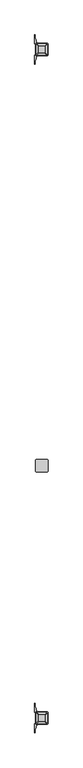
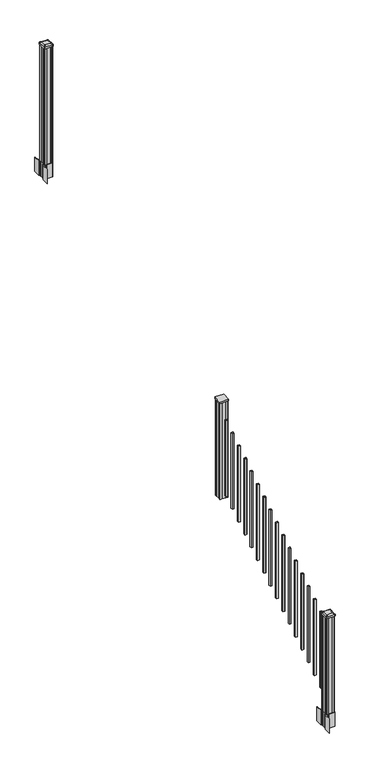
"""IFC4 building model written with IfcOpenShell, lengths in millimetres: railing geometry."""

from ifc_helpers import new_model, si_unit, point, frame, frame_2d, origin, place, context, project, spatial, polyline, circle_curve, trimmed, segment, composite_curve, outline, extrude, source, transform, mapped, element, save
from ifc_brep_helpers import plane_surface, extruded_surface, advanced_brep


def railing_075d5e69(model_context):
    return source(origin(), model_context, "Body", "SolidModel", [
        extrude(outline(composite_curve([segment(trimmed(circle_curve(frame_2d((8459.0114534, -5881.0562181)), 3.175), [point((8459.0114534, -5884.2312181))], [point((8455.8364534, -5881.0562181))], False, "CARTESIAN"), True, "CONTINUOUS"), segment(polyline([(8455.8364534, -5881.0562181), (8455.8364534, -5796.9187181)]), True, "CONTINUOUS"), segment(trimmed(circle_curve(frame_2d((8459.0114534, -5796.9187181)), 3.175), [point((8455.8364534, -5796.9187181))], [point((8459.0114534, -5793.7437181))], False, "CARTESIAN"), True, "CONTINUOUS"), segment(polyline([(8459.0114534, -5793.7437181), (8543.1489534, -5793.7437181)]), True, "CONTINUOUS"), segment(trimmed(circle_curve(frame_2d((8543.1489534, -5796.9187181)), 3.175), [point((8543.1489534, -5793.7437181))], [point((8546.3239534, -5796.9187181))], False, "CARTESIAN"), True, "CONTINUOUS"), segment(polyline([(8546.3239534, -5796.9187181), (8546.3239534, -5881.0562181)]), True, "CONTINUOUS"), segment(trimmed(circle_curve(frame_2d((8543.1489534, -5881.0562181)), 3.175), [point((8546.3239534, -5881.0562181))], [point((8543.1489534, -5884.2312181))], False, "CARTESIAN"), True, "CONTINUOUS"), segment(polyline([(8543.1489534, -5884.2312181), (8459.0114534, -5884.2312181)]), True, "CONTINUOUS")], self_intersect=False)), frame((0.0, 0.0, 2366.134263), z_axis=(0.0, 0.0, 1.0), x_axis=(1.0, 0.0, 0.0)), (0.0, 0.0, 1.0), 17.272),
        extrude(outline(polyline([(8461.3927034, -5880.2624681), (8459.8052034, -5878.6749681), (8459.8052034, -5859.0534681), (8461.3927034, -5858.2914681), (8461.3927034, -5819.6834681), (8459.8052034, -5818.9214681), (8459.8052034, -5799.2999681), (8461.3927034, -5797.7124681), (8481.0142034, -5797.7124681), (8481.7762034, -5799.2999681), (8520.3842034, -5799.2999681), (8521.1462034, -5797.7124681), (8540.7677034, -5797.7124681), (8542.3552034, -5799.2999681), (8542.3552034, -5818.9214681), (8540.7677034, -5819.6834681), (8540.7677034, -5858.2914681), (8542.3552034, -5859.0534681), (8542.3552034, -5878.6749681), (8540.7677034, -5880.2624681), (8521.1462034, -5880.2624681), (8520.3842034, -5878.6749681), (8481.7762034, -5878.6749681), (8481.0142034, -5880.2624681), (8461.3927034, -5880.2624681)])), frame((0.0, 0.0, 1334.77), z_axis=(0.0, 0.0, 1.0), x_axis=(1.0, 0.0, 0.0)), (0.0, 0.0, 1.0), 1031.364263),
        extrude(outline(polyline([(8510.6052034, -5929.5384681), (8491.5552034, -5929.5384681), (8491.5552034, -5910.4884681), (8510.6052034, -5910.4884681), (8510.6052034, -5929.5384681)]), holes=[polyline([(8510.2083284, -5929.1415931), (8510.2083284, -5910.8853431), (8491.9520784, -5910.8853431), (8491.9520784, -5929.1415931), (8510.2083284, -5929.1415931)])]), frame((0.0, 0.0, 1385.7246281), z_axis=(0.0, 0.0, 1.0), x_axis=(1.0, 0.0, 0.0)), (0.0, 0.0, 1.0), 812.8041219),
        extrude(outline(polyline([(8510.6052034, -6040.7904681), (8491.5552034, -6040.7904681), (8491.5552034, -6021.7404681), (8510.6052034, -6021.7404681), (8510.6052034, -6040.7904681)]), holes=[polyline([(8510.2083284, -6040.3935931), (8510.2083284, -6022.1373431), (8491.9520784, -6022.1373431), (8491.9520784, -6040.3935931), (8510.2083284, -6040.3935931)])]), frame((0.0, 0.0, 1316.1921281), z_axis=(0.0, 0.0, 1.0), x_axis=(1.0, 0.0, 0.0)), (0.0, 0.0, 1.0), 812.8041219),
        extrude(outline(polyline([(8510.6052034, -6152.0424681), (8491.5552034, -6152.0424681), (8491.5552034, -6132.9924681), (8510.6052034, -6132.9924681), (8510.6052034, -6152.0424681)]), holes=[polyline([(8510.2083284, -6151.6455931), (8510.2083284, -6133.3893431), (8491.9520784, -6133.3893431), (8491.9520784, -6151.6455931), (8510.2083284, -6151.6455931)])]), frame((0.0, 0.0, 1246.6596281), z_axis=(0.0, 0.0, 1.0), x_axis=(1.0, 0.0, 0.0)), (0.0, 0.0, 1.0), 812.8041219),
        extrude(outline(polyline([(8510.6052034, -6263.2944681), (8491.5552034, -6263.2944681), (8491.5552034, -6244.2444681), (8510.6052034, -6244.2444681), (8510.6052034, -6263.2944681)]), holes=[polyline([(8510.2083284, -6262.8975931), (8510.2083284, -6244.6413431), (8491.9520784, -6244.6413431), (8491.9520784, -6262.8975931), (8510.2083284, -6262.8975931)])]), frame((0.0, 0.0, 1177.1271281), z_axis=(0.0, 0.0, 1.0), x_axis=(1.0, 0.0, 0.0)), (0.0, 0.0, 1.0), 812.8041219),
        extrude(outline(polyline([(8510.6052034, -6374.5464681), (8491.5552034, -6374.5464681), (8491.5552034, -6355.4964681), (8510.6052034, -6355.4964681), (8510.6052034, -6374.5464681)]), holes=[polyline([(8510.2083284, -6374.1495931), (8510.2083284, -6355.8933431), (8491.9520784, -6355.8933431), (8491.9520784, -6374.1495931), (8510.2083284, -6374.1495931)])]), frame((0.0, 0.0, 1107.5946281), z_axis=(0.0, 0.0, 1.0), x_axis=(1.0, 0.0, 0.0)), (0.0, 0.0, 1.0), 812.8041219),
        extrude(outline(polyline([(8510.6052034, -6485.7984681), (8491.5552034, -6485.7984681), (8491.5552034, -6466.7484681), (8510.6052034, -6466.7484681), (8510.6052034, -6485.7984681)]), holes=[polyline([(8510.2083284, -6485.4015931), (8510.2083284, -6467.1453431), (8491.9520784, -6467.1453431), (8491.9520784, -6485.4015931), (8510.2083284, -6485.4015931)])]), frame((0.0, 0.0, 1038.0621281), z_axis=(0.0, 0.0, 1.0), x_axis=(1.0, 0.0, 0.0)), (0.0, 0.0, 1.0), 812.8041219),
        extrude(outline(polyline([(8510.6052034, -6597.0504681), (8491.5552034, -6597.0504681), (8491.5552034, -6578.0004681), (8510.6052034, -6578.0004681), (8510.6052034, -6597.0504681)]), holes=[polyline([(8510.2083284, -6596.6535931), (8510.2083284, -6578.3973431), (8491.9520784, -6578.3973431), (8491.9520784, -6596.6535931), (8510.2083284, -6596.6535931)])]), frame((0.0, 0.0, 968.5296281), z_axis=(0.0, 0.0, 1.0), x_axis=(1.0, 0.0, 0.0)), (0.0, 0.0, 1.0), 812.8041219),
        extrude(outline(polyline([(8510.6052034, -6708.3024681), (8491.5552034, -6708.3024681), (8491.5552034, -6689.2524681), (8510.6052034, -6689.2524681), (8510.6052034, -6708.3024681)]), holes=[polyline([(8510.2083284, -6707.9055931), (8510.2083284, -6689.6493431), (8491.9520784, -6689.6493431), (8491.9520784, -6707.9055931), (8510.2083284, -6707.9055931)])]), frame((0.0, 0.0, 898.9971281), z_axis=(0.0, 0.0, 1.0), x_axis=(1.0, 0.0, 0.0)), (0.0, 0.0, 1.0), 812.8041219),
        extrude(outline(polyline([(8510.6052034, -6819.5544681), (8491.5552034, -6819.5544681), (8491.5552034, -6800.5044681), (8510.6052034, -6800.5044681), (8510.6052034, -6819.5544681)]), holes=[polyline([(8510.2083284, -6819.1575931), (8510.2083284, -6800.9013431), (8491.9520784, -6800.9013431), (8491.9520784, -6819.1575931), (8510.2083284, -6819.1575931)])]), frame((0.0, 0.0, 829.4646281), z_axis=(0.0, 0.0, 1.0), x_axis=(1.0, 0.0, 0.0)), (0.0, 0.0, 1.0), 812.8041219),
        extrude(outline(polyline([(8510.6052034, -6930.8064681), (8491.5552034, -6930.8064681), (8491.5552034, -6911.7564681), (8510.6052034, -6911.7564681), (8510.6052034, -6930.8064681)]), holes=[polyline([(8510.2083284, -6930.4095931), (8510.2083284, -6912.1533431), (8491.9520784, -6912.1533431), (8491.9520784, -6930.4095931), (8510.2083284, -6930.4095931)])]), frame((0.0, 0.0, 759.9321281), z_axis=(0.0, 0.0, 1.0), x_axis=(1.0, 0.0, 0.0)), (0.0, 0.0, 1.0), 812.8041219),
        extrude(outline(polyline([(8510.6052034, -7042.0584681), (8491.5552034, -7042.0584681), (8491.5552034, -7023.0084681), (8510.6052034, -7023.0084681), (8510.6052034, -7042.0584681)]), holes=[polyline([(8510.2083284, -7041.6615931), (8510.2083284, -7023.4053431), (8491.9520784, -7023.4053431), (8491.9520784, -7041.6615931), (8510.2083284, -7041.6615931)])]), frame((0.0, 0.0, 690.3996281), z_axis=(0.0, 0.0, 1.0), x_axis=(1.0, 0.0, 0.0)), (0.0, 0.0, 1.0), 812.8041219),
        extrude(outline(polyline([(8510.6052034, -7153.3104681), (8491.5552034, -7153.3104681), (8491.5552034, -7134.2604681), (8510.6052034, -7134.2604681), (8510.6052034, -7153.3104681)]), holes=[polyline([(8510.2083284, -7152.9135931), (8510.2083284, -7134.6573431), (8491.9520784, -7134.6573431), (8491.9520784, -7152.9135931), (8510.2083284, -7152.9135931)])]), frame((0.0, 0.0, 620.8671281), z_axis=(0.0, 0.0, 1.0), x_axis=(1.0, 0.0, 0.0)), (0.0, 0.0, 1.0), 812.8041219),
        extrude(outline(polyline([(8510.6052034, -7264.5624681), (8491.5552034, -7264.5624681), (8491.5552034, -7245.5124681), (8510.6052034, -7245.5124681), (8510.6052034, -7264.5624681)]), holes=[polyline([(8510.2083284, -7264.1655931), (8510.2083284, -7245.9093431), (8491.9520784, -7245.9093431), (8491.9520784, -7264.1655931), (8510.2083284, -7264.1655931)])]), frame((0.0, 0.0, 551.3346281), z_axis=(0.0, 0.0, 1.0), x_axis=(1.0, 0.0, 0.0)), (0.0, 0.0, 1.0), 812.8041219),
        extrude(outline(polyline([(8510.6052034, -7375.8144681), (8491.5552034, -7375.8144681), (8491.5552034, -7356.7644681), (8510.6052034, -7356.7644681), (8510.6052034, -7375.8144681)]), holes=[polyline([(8510.2083284, -7375.4175931), (8510.2083284, -7357.1613431), (8491.9520784, -7357.1613431), (8491.9520784, -7375.4175931), (8510.2083284, -7375.4175931)])]), frame((0.0, 0.0, 481.8021281), z_axis=(0.0, 0.0, 1.0), x_axis=(1.0, 0.0, 0.0)), (0.0, 0.0, 1.0), 812.8041219),
        extrude(outline(polyline([(8510.6052034, -7487.0664681), (8491.5552034, -7487.0664681), (8491.5552034, -7468.0164681), (8510.6052034, -7468.0164681), (8510.6052034, -7487.0664681)]), holes=[polyline([(8510.2083284, -7486.6695931), (8510.2083284, -7468.4133431), (8491.9520784, -7468.4133431), (8491.9520784, -7486.6695931), (8510.2083284, -7486.6695931)])]), frame((0.0, 0.0, 412.2696281), z_axis=(0.0, 0.0, 1.0), x_axis=(1.0, 0.0, 0.0)), (0.0, 0.0, 1.0), 812.8041219),
        extrude(outline(polyline([(8510.6052034, -7598.3184681), (8491.5552034, -7598.3184681), (8491.5552034, -7579.2684681), (8510.6052034, -7579.2684681), (8510.6052034, -7598.3184681)]), holes=[polyline([(8510.2083284, -7597.9215931), (8510.2083284, -7579.6653431), (8491.9520784, -7579.6653431), (8491.9520784, -7597.9215931), (8510.2083284, -7597.9215931)])]), frame((0.0, 0.0, 342.7371281), z_axis=(0.0, 0.0, 1.0), x_axis=(1.0, 0.0, 0.0)), (0.0, 0.0, 1.0), 812.8041219),
        extrude(outline(polyline([(8461.3927034, -2792.8924681), (8459.8052034, -2791.3049681), (8459.8052034, -2771.6834681), (8461.3927034, -2770.9214681), (8461.3927034, -2732.3134681), (8459.8052034, -2731.5514681), (8459.8052034, -2711.9299681), (8461.3927034, -2710.3424681), (8481.0142034, -2710.3424681), (8481.7762034, -2711.9299681), (8520.3842034, -2711.9299681), (8521.1462034, -2710.3424681), (8540.7677034, -2710.3424681), (8542.3552034, -2711.9299681), (8542.3552034, -2731.5514681), (8540.7677034, -2732.3134681), (8540.7677034, -2770.9214681), (8542.3552034, -2771.6834681), (8542.3552034, -2791.3049681), (8540.7677034, -2792.8924681), (8521.1462034, -2792.8924681), (8520.3842034, -2791.3049681), (8481.7762034, -2791.3049681), (8481.0142034, -2792.8924681), (8461.3927034, -2792.8924681)])), frame((0.0, 0.0, 3048.0), z_axis=(0.0, 0.0, 1.0), x_axis=(1.0, 0.0, 0.0)), (0.0, 0.0, 1.0), 1247.740513),
        extrude(outline(composite_curve([segment(polyline([(8543.8157034, -2769.003563), (8545.4032034, -2769.765563), (8545.4032034, -2792.567491), (8542.0302263, -2795.9404681), (8480.5705555, -2795.9404681), (8480.5705555, -2796.8612181), (8475.2530117, -2796.8612181), (8475.2530117, -2798.3154728), (8470.168482, -2798.3154728), (8470.168482, -2799.5994966), (8468.5012097, -2799.5994966)]), True, "CONTINUOUS"), segment(trimmed(circle_curve(frame_2d((8468.5012097, -2806.6589565)), 7.0594599), [point((8468.5012097, -2799.5994966))], [point((8461.7339468, -2804.6489498))], True, "CARTESIAN"), True, "CONTINUOUS"), segment(polyline([(8461.7339468, -2804.6489498), (8453.8597526, -2831.1596789)]), True, "CONTINUOUS"), segment(trimmed(circle_curve(frame_2d((8508.6442659, -2847.4317285)), 57.15), [point((8453.8597526, -2831.1596789))], [point((8451.4942659, -2847.4317285))], True, "CARTESIAN"), True, "CONTINUOUS"), segment(polyline([(8451.4942659, -2847.4317285), (8451.4942659, -2859.4404681), (8448.4942659, -2859.4404681), (8448.4942659, -2794.3529681), (8456.7572034, -2783.0146768), (8456.7572034, -2769.765563), (8458.3447034, -2769.003563), (8458.3447034, -2734.2313732), (8456.7572034, -2733.4693732), (8456.7572034, -2720.2202594), (8448.4942659, -2708.8819681), (8448.4942659, -2643.7944681), (8451.4942659, -2643.7944681), (8451.4942659, -2655.8032076)]), True, "CONTINUOUS"), segment(trimmed(circle_curve(frame_2d((8508.6442659, -2655.8032076)), 57.15), [point((8451.4942659, -2655.8032076))], [point((8453.8597526, -2672.0752573))], True, "CARTESIAN"), True, "CONTINUOUS"), segment(polyline([(8453.8597526, -2672.0752573), (8461.7339468, -2698.5859864)]), True, "CONTINUOUS"), segment(trimmed(circle_curve(frame_2d((8468.5012097, -2696.5759797)), 7.0594599), [point((8461.7339468, -2698.5859864))], [point((8468.5012097, -2703.6354396))], True, "CARTESIAN"), True, "CONTINUOUS"), segment(polyline([(8468.5012097, -2703.6354396), (8470.168482, -2703.6354396), (8470.168482, -2704.9194634), (8475.2530117, -2704.9194634), (8475.2530117, -2706.3737181), (8480.5705555, -2706.3737181), (8480.5705555, -2707.2944681), (8542.0302263, -2707.2944681), (8545.4032034, -2710.6674452), (8545.4032034, -2733.4693732), (8543.8157034, -2734.2313732), (8543.8157034, -2769.003563)]), True, "CONTINUOUS")], self_intersect=False), holes=[polyline([(8459.8052034, -2711.9299681), (8459.8052034, -2791.3049681), (8461.3927034, -2792.8924681), (8498.316986, -2792.8924681), (8540.7677034, -2792.8924681), (8542.3552034, -2791.3049681), (8542.3552034, -2711.9299681), (8540.7677034, -2710.3424681), (8498.316986, -2710.3424681), (8461.3927034, -2710.3424681), (8459.8052034, -2711.9299681)])]), frame((0.0, 0.0, 2895.6), z_axis=(0.0, 0.0, 1.0), x_axis=(1.0, 0.0, 0.0)), (0.0, 0.0, 1.0), 152.4),
        advanced_brep(
        [(8475.2833284, -2780.5893431, 4324.315513), (8526.8770784, -2780.5893431, 4324.315513), (8530.0520784, -2777.4143431, 4324.315513), (8530.0520784, -2725.8205931, 4324.315513), (8526.8770784, -2722.6455931, 4324.315513), (8475.2833284, -2722.6455931, 4324.315513), (8472.1083284, -2725.8205931, 4324.315513), (8472.1083284, -2777.4143431, 4324.315513), (8459.0114534, -2796.8612181, 4313.012513), (8455.8364534, -2793.6862181, 4313.012513), (8455.8364534, -2709.5487181, 4313.012513), (8459.0114534, -2706.3737181, 4313.012513), (8543.1489534, -2706.3737181, 4313.012513), (8546.3239534, -2709.5487181, 4313.012513), (8546.3239534, -2793.6862181, 4313.012513), (8543.1489534, -2796.8612181, 4313.012513)],
        [
            (0, 1),
            (1, 2, circle_curve(frame((8526.8770784, -2777.4143431, 4324.315513), z_axis=(0.0, 0.0, 1.0), x_axis=(0.0, 1.0, 0.0)), 3.175)),
            (2, 3),
            (3, 4, circle_curve(frame((8526.8770784, -2725.8205931, 4324.315513), z_axis=(0.0, 0.0, 1.0), x_axis=(0.0, 1.0, 0.0)), 3.175)),
            (4, 5),
            (5, 6, circle_curve(frame((8475.2833284, -2725.8205931, 4324.315513), z_axis=(0.0, 0.0, 1.0), x_axis=(0.0, 1.0, 0.0)), 3.175)),
            (6, 7),
            (7, 0, circle_curve(frame((8475.2833284, -2777.4143431, 4324.315513), z_axis=(0.0, 0.0, 1.0), x_axis=(0.0, 1.0, 0.0)), 3.175)),
            (8, 9, circle_curve(frame((8459.0114534, -2793.6862181, 4313.012513), z_axis=(0.0, 0.0, -1.0), x_axis=(0.0, 1.0, 0.0)), 3.175)),
            (9, 10),
            (10, 11, circle_curve(frame((8459.0114534, -2709.5487181, 4313.012513), z_axis=(0.0, 0.0, -1.0), x_axis=(0.0, 1.0, 0.0)), 3.175)),
            (11, 12),
            (12, 13, circle_curve(frame((8543.1489534, -2709.5487181, 4313.012513), z_axis=(0.0, 0.0, -1.0), x_axis=(0.0, 1.0, 0.0)), 3.175)),
            (13, 14),
            (14, 15, circle_curve(frame((8543.1489534, -2793.6862181, 4313.012513), z_axis=(0.0, 0.0, -1.0), x_axis=(0.0, 1.0, 0.0)), 3.175)),
            (15, 8),
            (8, 0),
            (7, 9),
            (6, 10),
            (5, 11),
            (4, 12),
            (3, 13),
            (2, 14),
            (1, 15),
        ],
        [
            plane_surface(frame((8501.0802034, -2751.6174681, 4324.315513), z_axis=(0.0, 0.0, 1.0), x_axis=(-1.0, 0.0, 0.0))),
            plane_surface(frame((8501.0802034, -2751.6174681, 4313.012513), z_axis=(0.0, 0.0, -1.0), x_axis=(-1.0, 0.0, 0.0))),
            extruded_surface(trimmed(circle_curve(frame((8475.2833284, -2777.4143431, 4324.315513), z_axis=(0.0, 0.0, -1.0), x_axis=(0.0, 1.0, 0.0)), 3.175), [point((8475.2833284, -2780.5893431, 4324.315513))], [point((8472.1083284, -2777.4143431, 4324.315513))], True, "CARTESIAN"), (-16.271875000000364, -16.27187499999991, -11.302999999999884), 25.637972638866284),
            plane_surface(frame((8455.8364534, -2751.6174681, 4313.012513), z_axis=(-0.5705009161540687, 0.0, 0.8212969649690472), x_axis=(0.0, 1.0, 0.0))),
            extruded_surface(trimmed(circle_curve(frame((8475.2833284, -2725.8205931, 4324.315513), z_axis=(0.0, 0.0, -1.0), x_axis=(0.0, 1.0, 0.0)), 3.175), [point((8472.1083284, -2725.8205931, 4324.315513))], [point((8475.2833284, -2722.6455931, 4324.315513))], True, "CARTESIAN"), (-16.271875000000364, 16.271875000000364, -11.302999999999884), 25.63797263886657),
            plane_surface(frame((8501.0802034, -2706.3737181, 4313.012513), z_axis=(0.0, 0.5705009161540291, 0.8212969649690747), x_axis=(1.0, 0.0, 0.0))),
            extruded_surface(trimmed(circle_curve(frame((8526.8770784, -2725.8205931, 4324.315513), z_axis=(0.0, 0.0, -1.0), x_axis=(0.0, 1.0, 0.0)), 3.175), [point((8526.8770784, -2722.6455931, 4324.315513))], [point((8530.0520784, -2725.8205931, 4324.315513))], True, "CARTESIAN"), (16.271874999998545, 16.271875000000364, -11.302999999999884), 25.63797263886542),
            plane_surface(frame((8546.3239534, -2751.6174681, 4313.012513), z_axis=(0.5705009161540233, 0.0, 0.8212969649690787), x_axis=(0.0, -1.0, 0.0))),
            extruded_surface(trimmed(circle_curve(frame((8526.8770784, -2777.4143431, 4324.315513), z_axis=(0.0, 0.0, -1.0), x_axis=(0.0, 1.0, 0.0)), 3.175), [point((8530.0520784, -2777.4143431, 4324.315513))], [point((8526.8770784, -2780.5893431, 4324.315513))], True, "CARTESIAN"), (16.271874999998545, -16.27187499999991, -11.302999999999884), 25.63797263886513),
            plane_surface(frame((8501.0802034, -2796.8612181, 4313.012513), z_axis=(0.0, -0.570500916154034, 0.8212969649690713), x_axis=(-1.0, 0.0, 0.0))),
        ],
        [
            (0, [[1, 2, 3, 4, 5, 6, 7, 8]]),
            (1, [[9, 10, 11, 12, 13, 14, 15, 16]]),
            (2, [[17, -8, 18, -9]]),
            (3, [[-18, -7, 19, -10]]),
            (4, [[-19, -6, 20, -11]]),
            (5, [[-20, -5, 21, -12]]),
            (6, [[-21, -4, 22, -13]]),
            (7, [[-22, -3, 23, -14]]),
            (8, [[-23, -2, 24, -15]]),
            (9, [[-24, -1, -17, -16]]),
        ],
    ),
        extrude(outline(composite_curve([segment(trimmed(circle_curve(frame_2d((8459.0114534, -2793.6862181)), 3.175), [point((8459.0114534, -2796.8612181))], [point((8455.8364534, -2793.6862181))], False, "CARTESIAN"), True, "CONTINUOUS"), segment(polyline([(8455.8364534, -2793.6862181), (8455.8364534, -2709.5487181)]), True, "CONTINUOUS"), segment(trimmed(circle_curve(frame_2d((8459.0114534, -2709.5487181)), 3.175), [point((8455.8364534, -2709.5487181))], [point((8459.0114534, -2706.3737181))], False, "CARTESIAN"), True, "CONTINUOUS"), segment(polyline([(8459.0114534, -2706.3737181), (8543.1489534, -2706.3737181)]), True, "CONTINUOUS"), segment(trimmed(circle_curve(frame_2d((8543.1489534, -2709.5487181)), 3.175), [point((8543.1489534, -2706.3737181))], [point((8546.3239534, -2709.5487181))], False, "CARTESIAN"), True, "CONTINUOUS"), segment(polyline([(8546.3239534, -2709.5487181), (8546.3239534, -2793.6862181)]), True, "CONTINUOUS"), segment(trimmed(circle_curve(frame_2d((8543.1489534, -2793.6862181)), 3.175), [point((8546.3239534, -2793.6862181))], [point((8543.1489534, -2796.8612181))], False, "CARTESIAN"), True, "CONTINUOUS"), segment(polyline([(8543.1489534, -2796.8612181), (8459.0114534, -2796.8612181)]), True, "CONTINUOUS")], self_intersect=False)), frame((0.0, 0.0, 4295.740513), z_axis=(0.0, 0.0, 1.0), x_axis=(1.0, 0.0, 0.0)), (0.0, 0.0, 1.0), 17.272),
        extrude(outline(composite_curve([segment(polyline([(8543.8157034, -7728.607563), (8545.4032034, -7729.369563), (8545.4032034, -7752.171491), (8542.0302263, -7755.5444681), (8480.5705555, -7755.5444681), (8480.5705555, -7756.4652181), (8475.2530117, -7756.4652181), (8475.2530117, -7757.9194728), (8470.168482, -7757.9194728), (8470.168482, -7759.2034966), (8468.5012097, -7759.2034966)]), True, "CONTINUOUS"), segment(trimmed(circle_curve(frame_2d((8468.5012097, -7766.2629565)), 7.0594599), [point((8468.5012097, -7759.2034966))], [point((8461.7339468, -7764.2529498))], True, "CARTESIAN"), True, "CONTINUOUS"), segment(polyline([(8461.7339468, -7764.2529498), (8453.8597526, -7790.7636789)]), True, "CONTINUOUS"), segment(trimmed(circle_curve(frame_2d((8508.6442659, -7807.0357285)), 57.15), [point((8453.8597526, -7790.7636789))], [point((8451.4942659, -7807.0357285))], True, "CARTESIAN"), True, "CONTINUOUS"), segment(polyline([(8451.4942659, -7807.0357285), (8451.4942659, -7819.0444681), (8448.4942659, -7819.0444681), (8448.4942659, -7753.9569681), (8456.7572034, -7742.6186768), (8456.7572034, -7729.369563), (8458.3447034, -7728.607563), (8458.3447034, -7693.8353732), (8456.7572034, -7693.0733732), (8456.7572034, -7679.8242594), (8448.4942659, -7668.4859681), (8448.4942659, -7603.3984681), (8451.4942659, -7603.3984681), (8451.4942659, -7615.4072076)]), True, "CONTINUOUS"), segment(trimmed(circle_curve(frame_2d((8508.6442659, -7615.4072076)), 57.15), [point((8451.4942659, -7615.4072076))], [point((8453.8597526, -7631.6792573))], True, "CARTESIAN"), True, "CONTINUOUS"), segment(polyline([(8453.8597526, -7631.6792573), (8461.7339468, -7658.1899864)]), True, "CONTINUOUS"), segment(trimmed(circle_curve(frame_2d((8468.5012097, -7656.1799797)), 7.0594599), [point((8461.7339468, -7658.1899864))], [point((8468.5012097, -7663.2394396))], True, "CARTESIAN"), True, "CONTINUOUS"), segment(polyline([(8468.5012097, -7663.2394396), (8470.168482, -7663.2394396), (8470.168482, -7664.5234634), (8475.2530117, -7664.5234634), (8475.2530117, -7665.9777181), (8480.5705555, -7665.9777181), (8480.5705555, -7666.8984681), (8542.0302263, -7666.8984681), (8545.4032034, -7670.2714452), (8545.4032034, -7693.0733732), (8543.8157034, -7693.8353732), (8543.8157034, -7728.607563)]), True, "CONTINUOUS")], self_intersect=False), holes=[polyline([(8459.8052034, -7671.5339681), (8459.8052034, -7750.9089681), (8461.3927034, -7752.4964681), (8498.316986, -7752.4964681), (8540.7677034, -7752.4964681), (8542.3552034, -7750.9089681), (8542.3552034, -7671.5339681), (8540.7677034, -7669.9464681), (8498.316986, -7669.9464681), (8461.3927034, -7669.9464681), (8459.8052034, -7671.5339681)])]), frame((0.0, 0.0, 12.22375), z_axis=(0.0, 0.0, 1.0), x_axis=(1.0, 0.0, 0.0)), (0.0, 0.0, 1.0), 152.4),
        advanced_brep(
        [(8475.2833284, -7740.1933431, 1224.563013), (8526.8770784, -7740.1933431, 1224.563013), (8530.0520784, -7737.0183431, 1224.563013), (8530.0520784, -7685.4245931, 1224.563013), (8526.8770784, -7682.2495931, 1224.563013), (8475.2833284, -7682.2495931, 1224.563013), (8472.1083284, -7685.4245931, 1224.563013), (8472.1083284, -7737.0183431, 1224.563013), (8459.0114534, -7756.4652181, 1213.260013), (8455.8364534, -7753.2902181, 1213.260013), (8455.8364534, -7669.1527181, 1213.260013), (8459.0114534, -7665.9777181, 1213.260013), (8543.1489534, -7665.9777181, 1213.260013), (8546.3239534, -7669.1527181, 1213.260013), (8546.3239534, -7753.2902181, 1213.260013), (8543.1489534, -7756.4652181, 1213.260013)],
        [
            (0, 1),
            (1, 2, circle_curve(frame((8526.8770784, -7737.0183431, 1224.563013), z_axis=(0.0, 0.0, 1.0), x_axis=(0.0, 1.0, 0.0)), 3.175)),
            (2, 3),
            (3, 4, circle_curve(frame((8526.8770784, -7685.4245931, 1224.563013), z_axis=(0.0, 0.0, 1.0), x_axis=(0.0, 1.0, 0.0)), 3.175)),
            (4, 5),
            (5, 6, circle_curve(frame((8475.2833284, -7685.4245931, 1224.563013), z_axis=(0.0, 0.0, 1.0), x_axis=(0.0, 1.0, 0.0)), 3.175)),
            (6, 7),
            (7, 0, circle_curve(frame((8475.2833284, -7737.0183431, 1224.563013), z_axis=(0.0, 0.0, 1.0), x_axis=(0.0, 1.0, 0.0)), 3.175)),
            (8, 9, circle_curve(frame((8459.0114534, -7753.2902181, 1213.260013), z_axis=(0.0, 0.0, -1.0), x_axis=(0.0, 1.0, 0.0)), 3.175)),
            (9, 10),
            (10, 11, circle_curve(frame((8459.0114534, -7669.1527181, 1213.260013), z_axis=(0.0, 0.0, -1.0), x_axis=(0.0, 1.0, 0.0)), 3.175)),
            (11, 12),
            (12, 13, circle_curve(frame((8543.1489534, -7669.1527181, 1213.260013), z_axis=(0.0, 0.0, -1.0), x_axis=(0.0, 1.0, 0.0)), 3.175)),
            (13, 14),
            (14, 15, circle_curve(frame((8543.1489534, -7753.2902181, 1213.260013), z_axis=(0.0, 0.0, -1.0), x_axis=(0.0, 1.0, 0.0)), 3.175)),
            (15, 8),
            (8, 0),
            (7, 9),
            (6, 10),
            (5, 11),
            (4, 12),
            (3, 13),
            (2, 14),
            (1, 15),
        ],
        [
            plane_surface(frame((8501.0802034, -7711.2214681, 1224.563013), z_axis=(0.0, 0.0, 1.0), x_axis=(-1.0, 0.0, 0.0))),
            plane_surface(frame((8501.0802034, -7711.2214681, 1213.260013), z_axis=(0.0, 0.0, -1.0), x_axis=(-1.0, 0.0, 0.0))),
            extruded_surface(trimmed(circle_curve(frame((8475.2833284, -7737.0183431, 1224.563013), z_axis=(0.0, 0.0, -1.0), x_axis=(0.0, 1.0, 0.0)), 3.175), [point((8475.2833284, -7740.1933431, 1224.563013))], [point((8472.1083284, -7737.0183431, 1224.563013))], True, "CARTESIAN"), (-16.271875000000364, -16.271875000000364, -11.302999999999884), 25.63797263886657),
            plane_surface(frame((8455.8364534, -7711.2214681, 1213.260013), z_axis=(-0.5705009161540778, 0.0, 0.8212969649690408), x_axis=(0.0, 1.0, 0.0))),
            extruded_surface(trimmed(circle_curve(frame((8475.2833284, -7685.4245931, 1224.563013), z_axis=(0.0, 0.0, -1.0), x_axis=(0.0, 1.0, 0.0)), 3.175), [point((8472.1083284, -7685.4245931, 1224.563013))], [point((8475.2833284, -7682.2495931, 1224.563013))], True, "CARTESIAN"), (-16.271875000000364, 16.271874999999454, -11.302999999999884), 25.637972638865996),
            plane_surface(frame((8501.0802034, -7665.9777181, 1213.260013), z_axis=(0.0, 0.5705009161540291, 0.8212969649690747), x_axis=(1.0, 0.0, 0.0))),
            extruded_surface(trimmed(circle_curve(frame((8526.8770784, -7685.4245931, 1224.563013), z_axis=(0.0, 0.0, -1.0), x_axis=(0.0, 1.0, 0.0)), 3.175), [point((8526.8770784, -7682.2495931, 1224.563013))], [point((8530.0520784, -7685.4245931, 1224.563013))], True, "CARTESIAN"), (16.271874999998545, 16.271874999999454, -11.302999999999884), 25.63797263886484),
            plane_surface(frame((8546.3239534, -7711.2214681, 1213.260013), z_axis=(0.5705009161540142, 0.0, 0.8212969649690851), x_axis=(0.0, -1.0, 0.0))),
            extruded_surface(trimmed(circle_curve(frame((8526.8770784, -7737.0183431, 1224.563013), z_axis=(0.0, 0.0, -1.0), x_axis=(0.0, 1.0, 0.0)), 3.175), [point((8530.0520784, -7737.0183431, 1224.563013))], [point((8526.8770784, -7740.1933431, 1224.563013))], True, "CARTESIAN"), (16.271874999998545, -16.271875000000364, -11.302999999999884), 25.63797263886542),
            plane_surface(frame((8501.0802034, -7756.4652181, 1213.260013), z_axis=(0.0, -0.570500916154034, 0.8212969649690713), x_axis=(-1.0, 0.0, 0.0))),
        ],
        [
            (0, [[1, 2, 3, 4, 5, 6, 7, 8]]),
            (1, [[9, 10, 11, 12, 13, 14, 15, 16]]),
            (2, [[17, -8, 18, -9]]),
            (3, [[-18, -7, 19, -10]]),
            (4, [[-19, -6, 20, -11]]),
            (5, [[-20, -5, 21, -12]]),
            (6, [[-21, -4, 22, -13]]),
            (7, [[-22, -3, 23, -14]]),
            (8, [[-23, -2, 24, -15]]),
            (9, [[-24, -1, -17, -16]]),
        ],
    ),
        extrude(outline(composite_curve([segment(trimmed(circle_curve(frame_2d((8459.0114534, -7753.2902181)), 3.175), [point((8459.0114534, -7756.4652181))], [point((8455.8364534, -7753.2902181))], False, "CARTESIAN"), True, "CONTINUOUS"), segment(polyline([(8455.8364534, -7753.2902181), (8455.8364534, -7669.1527181)]), True, "CONTINUOUS"), segment(trimmed(circle_curve(frame_2d((8459.0114534, -7669.1527181)), 3.175), [point((8455.8364534, -7669.1527181))], [point((8459.0114534, -7665.9777181))], False, "CARTESIAN"), True, "CONTINUOUS"), segment(polyline([(8459.0114534, -7665.9777181), (8543.1489534, -7665.9777181)]), True, "CONTINUOUS"), segment(trimmed(circle_curve(frame_2d((8543.1489534, -7669.1527181)), 3.175), [point((8543.1489534, -7665.9777181))], [point((8546.3239534, -7669.1527181))], False, "CARTESIAN"), True, "CONTINUOUS"), segment(polyline([(8546.3239534, -7669.1527181), (8546.3239534, -7753.2902181)]), True, "CONTINUOUS"), segment(trimmed(circle_curve(frame_2d((8543.1489534, -7753.2902181)), 3.175), [point((8546.3239534, -7753.2902181))], [point((8543.1489534, -7756.4652181))], False, "CARTESIAN"), True, "CONTINUOUS"), segment(polyline([(8543.1489534, -7756.4652181), (8459.0114534, -7756.4652181)]), True, "CONTINUOUS")], self_intersect=False)), frame((0.0, 0.0, 1195.988013), z_axis=(0.0, 0.0, 1.0), x_axis=(1.0, 0.0, 0.0)), (0.0, 0.0, 1.0), 17.272),
        extrude(outline(polyline([(8461.3927034, -7752.4964681), (8459.8052034, -7750.9089681), (8459.8052034, -7731.2874681), (8461.3927034, -7730.5254681), (8461.3927034, -7691.9174681), (8459.8052034, -7691.1554681), (8459.8052034, -7671.5339681), (8461.3927034, -7669.9464681), (8481.0142034, -7669.9464681), (8481.7762034, -7671.5339681), (8520.3842034, -7671.5339681), (8521.1462034, -7669.9464681), (8540.7677034, -7669.9464681), (8542.3552034, -7671.5339681), (8542.3552034, -7691.1554681), (8540.7677034, -7691.9174681), (8540.7677034, -7730.5254681), (8542.3552034, -7731.2874681), (8542.3552034, -7750.9089681), (8540.7677034, -7752.4964681), (8521.1462034, -7752.4964681), (8520.3842034, -7750.9089681), (8481.7762034, -7750.9089681), (8481.0142034, -7752.4964681), (8461.3927034, -7752.4964681)])), frame((0.0, 0.0, 164.62375), z_axis=(0.0, 0.0, 1.0), x_axis=(1.0, 0.0, 0.0)), (0.0, 0.0, 1.0), 1031.364263),
    ])


if __name__ == "__main__":
    model = new_model("IFC4")
    model_context = context("Model", 3, world=origin())
    ifc_project = project(units=[si_unit("LENGTHUNIT", "METRE", prefix="MILLI")], contexts=[model_context])
    site = spatial("IfcSite", under=ifc_project)
    building = spatial("IfcBuilding", under=site)
    placement = place(None, origin())
    railing_shape = railing_075d5e69(model_context)
    element("IfcRailing", 1, at=placement, inside=building, context=model_context, shape_type="MappedRepresentation", body=[
        mapped(railing_shape, transform((0.0, 0.0, 0.0), x_axis=(1.0, 0.0, 0.0), y_axis=(0.0, 1.0, 0.0), z_axis=(0.0, 0.0, 1.0))),
    ])
    save(model, "model.ifc")
